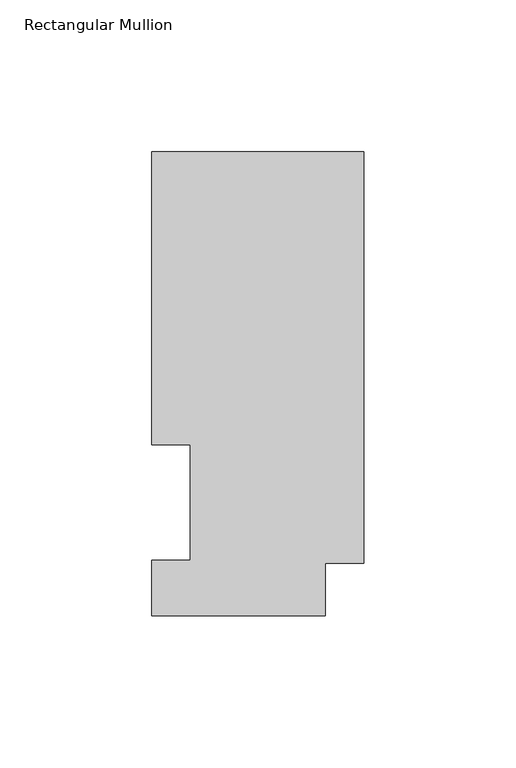
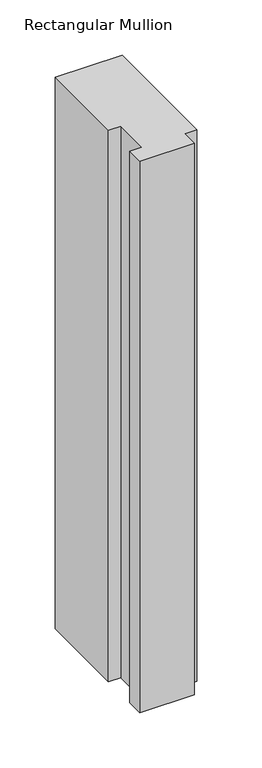
"""IFC4 building model written with IfcOpenShell, lengths in millimetres: member geometry, Rectangular Mullion."""

from ifc_helpers import new_model, si_unit, frame, origin, place, context, project, spatial, polyline, outline, extrude, source, transform, mapped, element, save


def rectangular_mullion_7474c3af(model_context):
    return source(origin(), model_context, "Body", "SweptSolid", [
        extrude(outline(polyline([(0.0, 152.7492337), (0.0, 17.2502333), (-12.7, 17.2502333), (-12.7, -0.0317663), (-69.85, -0.0317663), (-69.85, 18.2562337), (-57.15, 18.2562337), (-57.15, 56.3562337), (-69.85, 56.3562337), (-69.85, 152.7492337), (0.0, 152.7492337)])), frame((0.0, 0.0, -609.6), z_axis=(0.0, 0.0, 1.0), x_axis=(1.0, 0.0, 0.0)), (0.0, 0.0, 1.0), 609.6),
    ])


if __name__ == "__main__":
    model = new_model("IFC4")
    model_context = context("Model", 3, world=origin())
    ifc_project = project(units=[si_unit("LENGTHUNIT", "METRE", prefix="MILLI")], contexts=[model_context])
    site = spatial("IfcSite", under=ifc_project)
    building = spatial("IfcBuilding", under=site)
    placement = place(None, origin())
    rectangular_mullion_shape = rectangular_mullion_7474c3af(model_context)
    element("IfcMember", 1, ObjectType="Rectangular Mullion", at=placement, inside=building, context=model_context, shape_type="MappedRepresentation", body=[
        mapped(rectangular_mullion_shape, transform((0.0, 0.0, 0.0), x_axis=(1.0, 0.0, 0.0), y_axis=(0.0, 1.0, 0.0), z_axis=(0.0, 0.0, 1.0))),
    ])
    save(model, "model.ifc")
